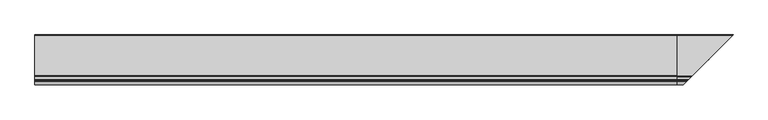
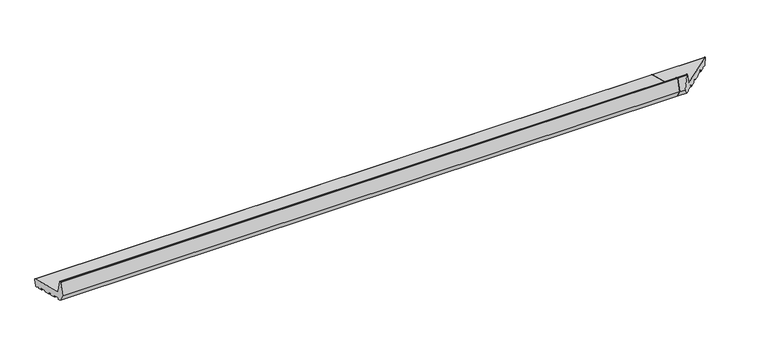
"""IFC4 building model written with IfcOpenShell, lengths in millimetres: proxy geometry."""

from ifc_helpers import new_model, si_unit, point, frame, frame_2d, origin, place, context, project, spatial, polyline, circle_curve, ellipse_curve, trimmed, segment, composite_curve, outline, extrude, source, transform, mapped, element, save
from ifc_brep_helpers import plane_surface, cylinder_surface, revolved_surface, advanced_brep


def generic_models_fed0bf22(model_context):
    return source(origin(), model_context, "Body", "SolidModel", [
        advanced_brep(
        [(2695.0, 24.5646181, 4.2013545), (2695.0, 21.6668406, 4.9778116), (2695.0, 7.6810717, 13.5112573), (2695.0, 6.1942921, 12.9164305), (2695.0, 5.2461016, 9.3777354), (2695.0, 4.0213567, 8.6706286), (2695.0, -13.3653082, 13.3293714), (2695.0, -14.072415, 14.5541163), (2695.0, -13.0371388, 18.4178196), (2695.0, -13.7442456, 19.6425645), (2695.0, -39.8242429, 26.6306787), (2695.0, -41.0489877, 25.9235719), (2695.0, -42.0842639, 22.0598686), (2695.0, -43.3090088, 21.3527618), (2695.0, -68.4230803, 28.082057), (2695.0, -69.1301871, 29.3068018), (2695.0, -68.0949109, 33.1705052), (2695.0, -68.8020177, 34.39525), (2695.0, -84.2568309, 38.5363547), (2695.0, -85.4815758, 37.829248), (2695.0, -86.5168519, 33.9655447), (2695.0, -87.7415968, 33.2584379), (2695.0, -112.8556683, 39.9877331), (2695.0, -113.5627751, 41.2124779), (2695.0, -112.5274989, 45.0761812), (2695.0, -113.2346057, 46.3009261), (2695.0, -139.314603, 53.2890403), (2695.0, -140.5393479, 52.5819335), (2695.0, -141.574624, 48.7182302), (2695.0, -142.7993689, 48.0111234), (2695.0, -156.3223305, 51.6345901), (2695.0, -174.0, 82.2532119), (2695.0, -159.6423334, 135.8367531), (2695.0, -158.1934447, 136.9485245), (2695.0, -155.1818846, 136.9485245), (2695.0, -153.7329958, 135.8367531), (2695.0, -139.984545, 84.5268362), (2695.0, -135.7419043, 80.2841955), (2695.0, 32.8468275, 35.1109809), (2695.0, 34.9681479, 31.4367463), (2695.0, 28.2388527, 6.3226748), (2922.2388527, 28.2388527, 6.3226748), (2918.5646181, 24.5646181, 4.2013545), (2928.9681479, 34.9681479, 31.4367463), (2926.8468275, 32.8468275, 35.1109809), (2758.2580957, -135.7419043, 80.2841955), (2754.015455, -139.984545, 84.5268362), (2740.2670042, -153.7329958, 135.8367531), (2738.8181154, -155.1818846, 136.9485245), (2735.8065553, -158.1934447, 136.9485245), (2734.3576666, -159.6423334, 135.8367531), (2720.0, -174.0, 82.2532119), (2737.6776695, -156.3223305, 51.6345901), (2751.2006311, -142.7993689, 48.0111234), (2752.425376, -141.574624, 48.7182302), (2753.4606521, -140.5393479, 52.5819335), (2754.685397, -139.314603, 53.2890403), (2780.7653943, -113.2346057, 46.3009261), (2781.4725011, -112.5274989, 45.0761812), (2780.4372249, -113.5627751, 41.2124779), (2781.1443317, -112.8556683, 39.9877331), (2806.2584032, -87.7415968, 33.2584379), (2807.4831481, -86.5168519, 33.9655447), (2808.5184242, -85.4815758, 37.829248), (2809.7431691, -84.2568309, 38.5363547), (2915.6668406, 21.6668406, 4.9778116), (2825.1979823, -68.8020177, 34.39525), (2825.5769197, -68.4230803, 28.082057), (2824.8698129, -69.1301871, 29.3068018), (2825.9050891, -68.0949109, 33.1705052), (2850.6909912, -43.3090088, 21.3527618), (2851.9157361, -42.0842639, 22.0598686), (2852.9510123, -41.0489877, 25.9235719), (2854.1757571, -39.8242429, 26.6306787), (2880.2557544, -13.7442456, 19.6425645), (2880.9628612, -13.0371388, 18.4178196), (2879.927585, -14.072415, 14.5541163), (2880.6346918, -13.3653082, 13.3293714), (2898.0213567, 4.0213567, 8.6706286), (2899.2461016, 5.2461016, 9.3777354), (2900.1942921, 6.1942921, 12.9164305), (2901.6810717, 7.6810717, 13.5112573)],
        [
            (0, 1),
            (1, 2),
            (2, 3, circle_curve(frame((2695.0, 7.1602179, 12.6576114), z_axis=(1.0, 0.0, 0.0), x_axis=(0.0, 1.0, 0.0)), 1.0)),
            (3, 4),
            (4, 5, circle_curve(frame((2695.0, 4.2801757, 9.6365544), z_axis=(-1.0, 0.0, 0.0), x_axis=(0.0, 1.0, 0.0)), 1.0)),
            (5, 6),
            (6, 7, circle_curve(frame((2695.0, -13.1064891, 14.2952972), z_axis=(-1.0, 0.0, 0.0), x_axis=(0.0, 1.0, 0.0)), 1.0)),
            (7, 8),
            (8, 9, circle_curve(frame((2695.0, -14.0030646, 18.6766386), z_axis=(1.0, 0.0, 0.0), x_axis=(0.0, 1.0, 0.0)), 1.0)),
            (9, 10),
            (10, 11, circle_curve(frame((2695.0, -40.0830619, 25.6647528), z_axis=(1.0, 0.0, 0.0), x_axis=(0.0, 1.0, 0.0)), 1.0)),
            (11, 12),
            (12, 13, circle_curve(frame((2695.0, -43.0501897, 22.3186876), z_axis=(-1.0, 0.0, 0.0), x_axis=(0.0, 1.0, 0.0)), 1.0)),
            (13, 14),
            (14, 15, circle_curve(frame((2695.0, -68.1642612, 29.0479828), z_axis=(-1.0, 0.0, 0.0), x_axis=(0.0, 1.0, 0.0)), 1.0)),
            (15, 16),
            (16, 17, circle_curve(frame((2695.0, -69.0608367, 33.4293242), z_axis=(1.0, 0.0, 0.0), x_axis=(0.0, 1.0, 0.0)), 1.0)),
            (17, 18),
            (18, 19, circle_curve(frame((2695.0, -84.5156499, 37.5704289), z_axis=(1.0, 0.0, 0.0), x_axis=(0.0, 1.0, 0.0)), 1.0)),
            (19, 20),
            (20, 21, circle_curve(frame((2695.0, -87.4827778, 34.2243637), z_axis=(-1.0, 0.0, 0.0), x_axis=(0.0, 1.0, 0.0)), 1.0)),
            (21, 22),
            (22, 23, circle_curve(frame((2695.0, -112.5968492, 40.9536589), z_axis=(-1.0, 0.0, 0.0), x_axis=(0.0, 1.0, 0.0)), 1.0)),
            (23, 24),
            (24, 25, circle_curve(frame((2695.0, -113.4934247, 45.3350003), z_axis=(1.0, 0.0, 0.0), x_axis=(0.0, 1.0, 0.0)), 1.0)),
            (25, 26),
            (26, 27, circle_curve(frame((2695.0, -139.573422, 52.3231145), z_axis=(1.0, 0.0, 0.0), x_axis=(0.0, 1.0, 0.0)), 1.0)),
            (27, 28),
            (28, 29, circle_curve(frame((2695.0, -142.5405499, 48.9770493), z_axis=(-1.0, 0.0, 0.0), x_axis=(0.0, 1.0, 0.0)), 1.0)),
            (29, 30),
            (30, 31),
            (31, 32),
            (32, 33, circle_curve(frame((2695.0, -158.1934447, 135.4485245), z_axis=(-1.0, 0.0, 0.0), x_axis=(0.0, 1.0, 0.0)), 1.5)),
            (33, 34),
            (34, 35, circle_curve(frame((2695.0, -155.1818846, 135.4485245), z_axis=(-1.0, 0.0, 0.0), x_axis=(0.0, 1.0, 0.0)), 1.5)),
            (35, 36),
            (36, 37, circle_curve(frame((2695.0, -134.1889901, 86.0797504), z_axis=(1.0, 0.0, 0.0), x_axis=(0.0, 1.0, 0.0)), 6.0)),
            (37, 38),
            (38, 39, circle_curve(frame((2695.0, 32.0703704, 32.2132034), z_axis=(-1.0, 0.0, 0.0), x_axis=(0.0, 1.0, 0.0)), 3.0)),
            (39, 40),
            (40, 0, circle_curve(frame((2695.0, 25.3410752, 7.099132), z_axis=(-1.0, 0.0, 0.0), x_axis=(0.0, 1.0, 0.0)), 3.0)),
            (40, 41),
            (41, 42, ellipse_curve(frame((2919.3410752, 25.3410752, 7.099132), z_axis=(-0.707106781186548, 0.7071067811865471, 0.0), x_axis=(0.707106781186547, 0.707106781186548, 0.0)), 4.2426407, 3.0)),
            (42, 0),
            (39, 43),
            (43, 41),
            (38, 44),
            (44, 43, ellipse_curve(frame((2926.0703704, 32.0703704, 32.2132034), z_axis=(-0.707106781186548, 0.7071067811865471, 0.0), x_axis=(0.707106781186547, 0.707106781186548, 0.0)), 4.2426407, 3.0)),
            (37, 45),
            (45, 44),
            (36, 46),
            (46, 45, ellipse_curve(frame((2759.8110099, -134.1889901, 86.0797504), z_axis=(0.707106781186548, -0.7071067811865471, 0.0), x_axis=(-0.707106781186547, -0.707106781186548, 0.0)), 8.4852814, 6.0)),
            (35, 47),
            (47, 46),
            (34, 48),
            (48, 47, ellipse_curve(frame((2738.8181154, -155.1818846, 135.4485245), z_axis=(-0.707106781186548, 0.7071067811865471, 0.0), x_axis=(0.707106781186547, 0.707106781186548, 0.0)), 2.1213203, 1.5)),
            (33, 49),
            (49, 48),
            (32, 50),
            (50, 49, ellipse_curve(frame((2735.8065553, -158.1934447, 135.4485245), z_axis=(-0.707106781186548, 0.7071067811865471, 0.0), x_axis=(0.707106781186547, 0.707106781186548, 0.0)), 2.1213203, 1.5)),
            (31, 51),
            (51, 50),
            (30, 52),
            (52, 51),
            (29, 53),
            (53, 52),
            (28, 54),
            (54, 53, ellipse_curve(frame((2751.4594501, -142.5405499, 48.9770493), z_axis=(-0.707106781186548, 0.7071067811865471, 0.0), x_axis=(0.707106781186547, 0.707106781186548, 0.0)), 1.4142136, 1.0)),
            (27, 55),
            (55, 54),
            (26, 56),
            (56, 55, ellipse_curve(frame((2754.426578, -139.573422, 52.3231145), z_axis=(0.707106781186548, -0.7071067811865471, 0.0), x_axis=(-0.707106781186547, -0.707106781186548, 0.0)), 1.4142136, 1.0)),
            (25, 57),
            (57, 56),
            (24, 58),
            (58, 57, ellipse_curve(frame((2780.5065753, -113.4934247, 45.3350003), z_axis=(0.707106781186548, -0.7071067811865471, 0.0), x_axis=(-0.707106781186547, -0.707106781186548, 0.0)), 1.4142136, 1.0)),
            (23, 59),
            (59, 58),
            (22, 60),
            (60, 59, ellipse_curve(frame((2781.4031508, -112.5968492, 40.9536589), z_axis=(-0.707106781186548, 0.7071067811865471, 0.0), x_axis=(0.707106781186547, 0.707106781186548, 0.0)), 1.4142136, 1.0)),
            (21, 61),
            (61, 60),
            (20, 62),
            (62, 61, ellipse_curve(frame((2806.5172222, -87.4827778, 34.2243637), z_axis=(-0.707106781186548, 0.7071067811865471, 0.0), x_axis=(0.707106781186547, 0.707106781186548, 0.0)), 1.4142136, 1.0)),
            (19, 63),
            (63, 62),
            (18, 64),
            (64, 63, ellipse_curve(frame((2809.4843501, -84.5156499, 37.5704289), z_axis=(0.707106781186548, -0.7071067811865471, 0.0), x_axis=(-0.707106781186547, -0.707106781186548, 0.0)), 1.4142136, 1.0)),
            (42, 65),
            (65, 1),
            (17, 66),
            (66, 64),
            (14, 67),
            (67, 68, ellipse_curve(frame((2825.8357388, -68.1642612, 29.0479828), z_axis=(-0.707106781186548, 0.7071067811865471, 0.0), x_axis=(0.707106781186547, 0.707106781186548, 0.0)), 1.4142136, 1.0)),
            (68, 15),
            (68, 69),
            (69, 16),
            (69, 66, ellipse_curve(frame((2824.9391633, -69.0608367, 33.4293242), z_axis=(0.707106781186548, -0.7071067811865471, 0.0), x_axis=(-0.707106781186547, -0.707106781186548, 0.0)), 1.4142136, 1.0)),
            (13, 70),
            (70, 67),
            (12, 71),
            (71, 70, ellipse_curve(frame((2850.9498103, -43.0501897, 22.3186876), z_axis=(-0.707106781186548, 0.7071067811865471, 0.0), x_axis=(0.707106781186547, 0.707106781186548, 0.0)), 1.4142136, 1.0)),
            (11, 72),
            (72, 71),
            (10, 73),
            (73, 72, ellipse_curve(frame((2853.9169381, -40.0830619, 25.6647528), z_axis=(0.707106781186548, -0.7071067811865471, 0.0), x_axis=(-0.707106781186547, -0.707106781186548, 0.0)), 1.4142136, 1.0)),
            (9, 74),
            (74, 73),
            (74, 75, ellipse_curve(frame((2879.9969354, -14.0030646, 18.6766386), z_axis=(-0.707106781186548, 0.7071067811865471, 0.0), x_axis=(-0.707106781186547, -0.707106781186548, 0.0)), 1.4142136, 1.0)),
            (75, 76),
            (76, 77, ellipse_curve(frame((2880.8935109, -13.1064891, 14.2952972), z_axis=(0.707106781186548, -0.7071067811865471, 0.0), x_axis=(0.707106781186547, 0.707106781186548, 0.0)), 1.4142136, 1.0)),
            (77, 78),
            (78, 79, ellipse_curve(frame((2898.2801757, 4.2801757, 9.6365544), z_axis=(0.707106781186548, -0.7071067811865471, 0.0), x_axis=(0.707106781186547, 0.707106781186548, 0.0)), 1.4142136, 1.0)),
            (79, 80),
            (80, 81, ellipse_curve(frame((2901.1602179, 7.1602179, 12.6576114), z_axis=(-0.707106781186548, 0.7071067811865471, 0.0), x_axis=(-0.707106781186547, -0.707106781186548, 0.0)), 1.4142136, 1.0)),
            (81, 65),
            (81, 2),
            (80, 3),
            (79, 4),
            (78, 5),
            (77, 6),
            (76, 7),
            (75, 8),
        ],
        [
            plane_surface(frame((2695.0, 0.0, 0.0), z_axis=(-1.0, 0.0, 0.0), x_axis=(0.0, 0.0, 1.0))),
            cylinder_surface(frame((2929.3741644, 25.3410752, 7.099132), z_axis=(1.0, 0.0, 0.0), x_axis=(0.0, 1.0, 0.0)), 3.0),
            plane_surface(frame((2929.3741644, 34.9681479, 31.4367463), z_axis=(0.0, 0.9659258262890685, -0.25881904510252035), x_axis=(-1.0, 0.0, 0.0))),
            cylinder_surface(frame((2929.3741644, 32.0703704, 32.2132034), z_axis=(1.0, 0.0, 0.0), x_axis=(0.0, 1.0, 0.0)), 3.0),
            plane_surface(frame((2929.3741644, -135.7419043, 80.2841955), z_axis=(0.0, 0.2588190451025208, 0.9659258262890684), x_axis=(-1.0, 0.0, 0.0))),
            revolved_surface(polyline([(2695.0, -128.1889901, 86.0797504), (2765.8110099182163, -128.1889901, 86.0797504)]), (2929.3741644, -134.1889901, 86.0797504), (-1.0, 0.0, 0.0)),
            plane_surface(frame((2929.3741644, -153.7329958, 135.8367531), z_axis=(0.0, 0.9659258262890665, 0.2588190451025272), x_axis=(-1.0, 0.0, 0.0))),
            cylinder_surface(frame((2929.3741644, -155.1818846, 135.4485245), z_axis=(1.0, 0.0, 0.0), x_axis=(0.0, 1.0, 0.0)), 1.5),
            plane_surface(frame((2929.3741644, -158.1934447, 136.9485245), z_axis=(0.0, 0.0, 1.0), x_axis=(-1.0, 0.0, 0.0))),
            cylinder_surface(frame((2929.3741644, -158.1934447, 135.4485245), z_axis=(1.0, 0.0, 0.0), x_axis=(0.0, 1.0, 0.0)), 1.5),
            plane_surface(frame((2929.3741644, -174.0, 82.2532119), z_axis=(0.0, -0.9659258262890684, 0.25881904510252035), x_axis=(-1.0, 0.0, 0.0))),
            plane_surface(frame((2929.3741644, -156.3223305, 51.6345901), z_axis=(0.0, -0.8660254037844376, -0.5000000000000019), x_axis=(-1.0, 0.0, 0.0))),
            plane_surface(frame((2929.3741644, -142.7993689, 48.0111234), z_axis=(0.0, -0.258819045102519, -0.9659258262890688), x_axis=(-1.0, 0.0, 0.0))),
            cylinder_surface(frame((2929.3741644, -142.5405499, 48.9770493), z_axis=(1.0, 0.0, 0.0), x_axis=(0.0, 1.0, 0.0)), 1.0),
            plane_surface(frame((2929.3741644, -140.5393479, 52.5819335), z_axis=(0.0, 0.9659258262890676, -0.25881904510252307), x_axis=(-1.0, 0.0, 0.0))),
            revolved_surface(polyline([(2695.0, -138.573422, 52.3231145), (2755.4265780266064, -138.573422, 52.3231145)]), (2929.3741644, -139.573422, 52.3231145), (-1.0, 0.0, 0.0)),
            plane_surface(frame((2929.3741644, -113.2346057, 46.3009261), z_axis=(0.0, -0.2588190451025203, -0.9659258262890684), x_axis=(-1.0, 0.0, 0.0))),
            revolved_surface(polyline([(2695.0, -112.4934247, 45.3350003), (2781.5065753266063, -112.4934247, 45.3350003)]), (2929.3741644, -113.4934247, 45.3350003), (-1.0, 0.0, 0.0)),
            plane_surface(frame((2929.3741644, -113.5627751, 41.2124779), z_axis=(0.0, -0.9659258262890592, 0.25881904510255466), x_axis=(-1.0, 0.0, 0.0))),
            cylinder_surface(frame((2929.3741644, -112.5968492, 40.9536589), z_axis=(1.0, 0.0, 0.0), x_axis=(0.0, 1.0, 0.0)), 1.0),
            plane_surface(frame((2929.3741644, -87.7415968, 33.2584379), z_axis=(0.0, -0.25881904510252035, -0.9659258262890685), x_axis=(-1.0, 0.0, 0.0))),
            cylinder_surface(frame((2929.3741644, -87.4827778, 34.2243637), z_axis=(1.0, 0.0, 0.0), x_axis=(0.0, 1.0, 0.0)), 1.0),
            plane_surface(frame((2929.3741644, -85.4815758, 37.829248), z_axis=(0.0, 0.9659258262890762, -0.25881904510249154), x_axis=(-1.0, 0.0, 0.0))),
            revolved_surface(polyline([(2695.0, -83.5156499, 37.5704289), (2810.4843501266064, -83.5156499, 37.5704289)]), (2929.3741644, -84.5156499, 37.5704289), (-1.0, 0.0, 0.0)),
            plane_surface(frame((2929.3741644, 24.5646181, 4.2013545), z_axis=(0.0, -0.25881904510252896, -0.9659258262890661), x_axis=(-1.0, 0.0, 0.0))),
            plane_surface(frame((2929.3741644, -68.8020177, 34.39525), z_axis=(0.0, -0.2588190451025202, -0.9659258262890685), x_axis=(-1.0, 0.0, 0.0))),
            cylinder_surface(frame((2929.3741644, -68.1642612, 29.0479828), z_axis=(1.0, 0.0, 0.0), x_axis=(0.0, 1.0, 0.0)), 1.0),
            plane_surface(frame((2929.3741644, -69.1301871, 29.3068018), z_axis=(0.0, -0.9659258262890762, 0.25881904510249154), x_axis=(-1.0, 0.0, 0.0))),
            revolved_surface(polyline([(2695.0, -68.0608367, 33.4293242), (2825.9391633266064, -68.0608367, 33.4293242)]), (2929.3741644, -69.0608367, 33.4293242), (-1.0, 0.0, 0.0)),
            plane_surface(frame((2929.3741644, -43.3090088, 21.3527618), z_axis=(0.0, -0.25881904510252096, -0.9659258262890683), x_axis=(-1.0, 0.0, 0.0))),
            cylinder_surface(frame((2929.3741644, -43.0501897, 22.3186876), z_axis=(1.0, 0.0, 0.0), x_axis=(0.0, 1.0, 0.0)), 1.0),
            plane_surface(frame((2929.3741644, -41.0489877, 25.9235719), z_axis=(0.0, 0.9659258262890676, -0.25881904510252307), x_axis=(-1.0, 0.0, 0.0))),
            revolved_surface(polyline([(2695.0, -39.0830619, 25.6647528), (2854.9169381266065, -39.0830619, 25.6647528)]), (2929.3741644, -40.0830619, 25.6647528), (-1.0, 0.0, 0.0)),
            plane_surface(frame((2929.3741644, -13.7442456, 19.6425645), z_axis=(0.0, -0.2588190451025203, -0.9659258262890684), x_axis=(-1.0, 0.0, 0.0))),
            plane_surface(frame((2875.2045815, -18.7954185, 0.0), z_axis=(0.707106781186548, -0.7071067811865471, 0.0), x_axis=(0.0, 0.0, 1.0))),
            plane_surface(frame((2929.3741644, 21.6668406, 4.9778116), z_axis=(0.0, -0.5208538026734657, -0.8536458962828736), x_axis=(-1.0, 0.0, 0.0))),
            revolved_surface(polyline([(2695.0, 8.1602179, 12.6576114), (2902.1602179266065, 8.1602179, 12.6576114)]), (2929.3741644, 7.1602179, 12.6576114), (-1.0, 0.0, 0.0)),
            plane_surface(frame((2929.3741644, 6.1942921, 12.9164305), z_axis=(0.0, 0.9659258262890675, -0.2588190451025239), x_axis=(-1.0, 0.0, 0.0))),
            cylinder_surface(frame((2929.3741644, 4.2801757, 9.6365544), z_axis=(1.0, 0.0, 0.0), x_axis=(0.0, 1.0, 0.0)), 1.0),
            plane_surface(frame((2929.3741644, 4.0213567, 8.6706286), z_axis=(0.0, -0.2588190451025209, -0.9659258262890683), x_axis=(-1.0, 0.0, 0.0))),
            cylinder_surface(frame((2929.3741644, -13.1064891, 14.2952972), z_axis=(1.0, 0.0, 0.0), x_axis=(0.0, 1.0, 0.0)), 1.0),
            plane_surface(frame((2929.3741644, -14.072415, 14.5541163), z_axis=(0.0, -0.9659258262890759, 0.2588190451024926), x_axis=(-1.0, 0.0, 0.0))),
            revolved_surface(polyline([(2695.0, -13.0030646, 18.6766386), (2880.9969354266063, -13.0030646, 18.6766386)]), (2929.3741644, -14.0030646, 18.6766386), (-1.0, 0.0, 0.0)),
        ],
        [
            (0, [[1, 2, 3, 4, 5, 6, 7, 8, 9, 10, 11, 12, 13, 14, 15, 16, 17, 18, 19, 20, 21, 22, 23, 24, 25, 26, 27, 28, 29, 30, 31, 32, 33, 34, 35, 36, 37, 38, 39, 40, 41]]),
            (1, [[42, 43, 44, -41]]),
            (2, [[45, 46, -42, -40]]),
            (3, [[47, 48, -45, -39]]),
            (4, [[49, 50, -47, -38]]),
            (5, [[51, 52, -49, -37]]),
            (6, [[53, 54, -51, -36]]),
            (7, [[55, 56, -53, -35]]),
            (8, [[57, 58, -55, -34]]),
            (9, [[59, 60, -57, -33]]),
            (10, [[61, 62, -59, -32]]),
            (11, [[63, 64, -61, -31]]),
            (12, [[65, 66, -63, -30]]),
            (13, [[67, 68, -65, -29]]),
            (14, [[69, 70, -67, -28]]),
            (15, [[71, 72, -69, -27]]),
            (16, [[73, 74, -71, -26]]),
            (17, [[75, 76, -73, -25]]),
            (18, [[77, 78, -75, -24]]),
            (19, [[79, 80, -77, -23]]),
            (20, [[81, 82, -79, -22]]),
            (21, [[83, 84, -81, -21]]),
            (22, [[85, 86, -83, -20]]),
            (23, [[87, 88, -85, -19]]),
            (24, [[-44, 89, 90, -1]]),
            (25, [[91, 92, -87, -18]]),
            (26, [[93, 94, 95, -15]]),
            (27, [[-95, 96, 97, -16]]),
            (28, [[-97, 98, -91, -17]]),
            (29, [[99, 100, -93, -14]]),
            (30, [[101, 102, -99, -13]]),
            (31, [[103, 104, -101, -12]]),
            (32, [[105, 106, -103, -11]]),
            (33, [[107, 108, -105, -10]]),
            (34, [[-46, -48, -50, -52, -54, -56, -58, -60, -62, -64, -66, -68, -70, -72, -74, -76, -78, -80, -82, -84, -86, -88, -92, -98, -96, -94, -100, -102, -104, -106, -108, 109, 110, 111, 112, 113, 114, 115, 116, -89, -43]]),
            (35, [[-90, -116, 117, -2]]),
            (36, [[-117, -115, 118, -3]]),
            (37, [[-118, -114, 119, -4]]),
            (38, [[-119, -113, 120, -5]]),
            (39, [[-120, -112, 121, -6]]),
            (40, [[-121, -111, 122, -7]]),
            (41, [[-122, -110, 123, -8]]),
            (42, [[-123, -109, -107, -9]]),
        ],
    ),
        extrude(outline(composite_curve([segment(polyline([(24.5646181, 4.2013545), (21.6668406, 4.9778116), (7.6810717, 13.5112573)]), True, "CONTINUOUS"), segment(trimmed(circle_curve(frame_2d((7.1602179, 12.6576114)), 1.0), [point((7.6810717, 13.5112573))], [point((6.1942921, 12.9164305))], True, "CARTESIAN"), True, "CONTINUOUS"), segment(polyline([(6.1942921, 12.9164305), (5.2461016, 9.3777354)]), True, "CONTINUOUS"), segment(trimmed(circle_curve(frame_2d((4.2801757, 9.6365544)), 1.0), [point((5.2461016, 9.3777354))], [point((4.0213567, 8.6706286))], False, "CARTESIAN"), True, "CONTINUOUS"), segment(polyline([(4.0213567, 8.6706286), (-13.3653082, 13.3293714)]), True, "CONTINUOUS"), segment(trimmed(circle_curve(frame_2d((-13.1064891, 14.2952972)), 1.0), [point((-13.3653082, 13.3293714))], [point((-14.072415, 14.5541163))], False, "CARTESIAN"), True, "CONTINUOUS"), segment(polyline([(-14.072415, 14.5541163), (-13.0371388, 18.4178196)]), True, "CONTINUOUS"), segment(trimmed(circle_curve(frame_2d((-14.0030646, 18.6766386)), 1.0), [point((-13.0371388, 18.4178196))], [point((-13.7442456, 19.6425645))], True, "CARTESIAN"), True, "CONTINUOUS"), segment(polyline([(-13.7442456, 19.6425645), (-39.8242429, 26.6306787)]), True, "CONTINUOUS"), segment(trimmed(circle_curve(frame_2d((-40.0830619, 25.6647528)), 1.0), [point((-39.8242429, 26.6306787))], [point((-41.0489877, 25.9235719))], True, "CARTESIAN"), True, "CONTINUOUS"), segment(polyline([(-41.0489877, 25.9235719), (-42.0842639, 22.0598686)]), True, "CONTINUOUS"), segment(trimmed(circle_curve(frame_2d((-43.0501897, 22.3186876)), 1.0), [point((-42.0842639, 22.0598686))], [point((-43.3090088, 21.3527618))], False, "CARTESIAN"), True, "CONTINUOUS"), segment(polyline([(-43.3090088, 21.3527618), (-68.4230803, 28.082057)]), True, "CONTINUOUS"), segment(trimmed(circle_curve(frame_2d((-68.1642612, 29.0479828)), 1.0), [point((-68.4230803, 28.082057))], [point((-69.1301871, 29.3068018))], False, "CARTESIAN"), True, "CONTINUOUS"), segment(polyline([(-69.1301871, 29.3068018), (-68.0949109, 33.1705052)]), True, "CONTINUOUS"), segment(trimmed(circle_curve(frame_2d((-69.0608367, 33.4293242)), 1.0), [point((-68.0949109, 33.1705052))], [point((-68.8020177, 34.39525))], True, "CARTESIAN"), True, "CONTINUOUS"), segment(polyline([(-68.8020177, 34.39525), (-84.2568309, 38.5363547)]), True, "CONTINUOUS"), segment(trimmed(circle_curve(frame_2d((-84.5156499, 37.5704289)), 1.0), [point((-84.2568309, 38.5363547))], [point((-85.4815758, 37.829248))], True, "CARTESIAN"), True, "CONTINUOUS"), segment(polyline([(-85.4815758, 37.829248), (-86.5168519, 33.9655447)]), True, "CONTINUOUS"), segment(trimmed(circle_curve(frame_2d((-87.4827778, 34.2243637)), 1.0), [point((-86.5168519, 33.9655447))], [point((-87.7415968, 33.2584379))], False, "CARTESIAN"), True, "CONTINUOUS"), segment(polyline([(-87.7415968, 33.2584379), (-112.8556683, 39.9877331)]), True, "CONTINUOUS"), segment(trimmed(circle_curve(frame_2d((-112.5968492, 40.9536589)), 1.0), [point((-112.8556683, 39.9877331))], [point((-113.5627751, 41.2124779))], False, "CARTESIAN"), True, "CONTINUOUS"), segment(polyline([(-113.5627751, 41.2124779), (-112.5274989, 45.0761812)]), True, "CONTINUOUS"), segment(trimmed(circle_curve(frame_2d((-113.4934247, 45.3350003)), 1.0), [point((-112.5274989, 45.0761812))], [point((-113.2346057, 46.3009261))], True, "CARTESIAN"), True, "CONTINUOUS"), segment(polyline([(-113.2346057, 46.3009261), (-139.314603, 53.2890403)]), True, "CONTINUOUS"), segment(trimmed(circle_curve(frame_2d((-139.573422, 52.3231145)), 1.0), [point((-139.314603, 53.2890403))], [point((-140.5393479, 52.5819335))], True, "CARTESIAN"), True, "CONTINUOUS"), segment(polyline([(-140.5393479, 52.5819335), (-141.574624, 48.7182302)]), True, "CONTINUOUS"), segment(trimmed(circle_curve(frame_2d((-142.5405499, 48.9770493)), 1.0), [point((-141.574624, 48.7182302))], [point((-142.7993689, 48.0111234))], False, "CARTESIAN"), True, "CONTINUOUS"), segment(polyline([(-142.7993689, 48.0111234), (-156.3223305, 51.6345901), (-174.0, 82.2532119), (-159.6423334, 135.8367531)]), True, "CONTINUOUS"), segment(trimmed(circle_curve(frame_2d((-158.1934447, 135.4485245)), 1.5), [point((-159.6423334, 135.8367531))], [point((-158.1934447, 136.9485245))], False, "CARTESIAN"), True, "CONTINUOUS"), segment(polyline([(-158.1934447, 136.9485245), (-155.1818846, 136.9485245)]), True, "CONTINUOUS"), segment(trimmed(circle_curve(frame_2d((-155.1818846, 135.4485245)), 1.5), [point((-155.1818846, 136.9485245))], [point((-153.7329958, 135.8367531))], False, "CARTESIAN"), True, "CONTINUOUS"), segment(polyline([(-153.7329958, 135.8367531), (-139.984545, 84.5268362)]), True, "CONTINUOUS"), segment(trimmed(circle_curve(frame_2d((-134.1889901, 86.0797504)), 6.0), [point((-139.984545, 84.5268362))], [point((-135.7419043, 80.2841955))], True, "CARTESIAN"), True, "CONTINUOUS"), segment(polyline([(-135.7419043, 80.2841955), (32.8468275, 35.1109809)]), True, "CONTINUOUS"), segment(trimmed(circle_curve(frame_2d((32.0703704, 32.2132034)), 3.0), [point((32.8468275, 35.1109809))], [point((34.9681479, 31.4367463))], False, "CARTESIAN"), True, "CONTINUOUS"), segment(polyline([(34.9681479, 31.4367463), (28.2388527, 6.3226748)]), True, "CONTINUOUS"), segment(trimmed(circle_curve(frame_2d((25.3410752, 7.099132)), 3.0), [point((28.2388527, 6.3226748))], [point((24.5646181, 4.2013545))], False, "CARTESIAN"), True, "CONTINUOUS")], self_intersect=False)), frame((0.0, 0.0, 0.0), z_axis=(1.0, 0.0, 0.0), x_axis=(0.0, 1.0, 0.0)), (0.0, 0.0, 1.0), 2695.0),
    ])


if __name__ == "__main__":
    model = new_model("IFC4")
    model_context = context("Model", 3, world=origin())
    ifc_project = project(units=[si_unit("LENGTHUNIT", "METRE", prefix="MILLI")], contexts=[model_context])
    site = spatial("IfcSite", under=ifc_project)
    building = spatial("IfcBuilding", under=site)
    placement = place(None, origin())
    generic_models_shape = generic_models_fed0bf22(model_context)
    element("IfcBuildingElementProxy", 1, Name="Generic Models", at=placement, inside=building, context=model_context, shape_type="MappedRepresentation", body=[
        mapped(generic_models_shape, transform((0.0, 0.0, 0.0), x_axis=(1.0, 0.0, 0.0), y_axis=(0.0, 1.0, 0.0), z_axis=(0.0, 0.0, 1.0))),
    ])
    save(model, "model.ifc")
